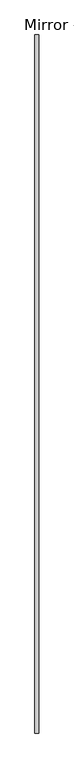
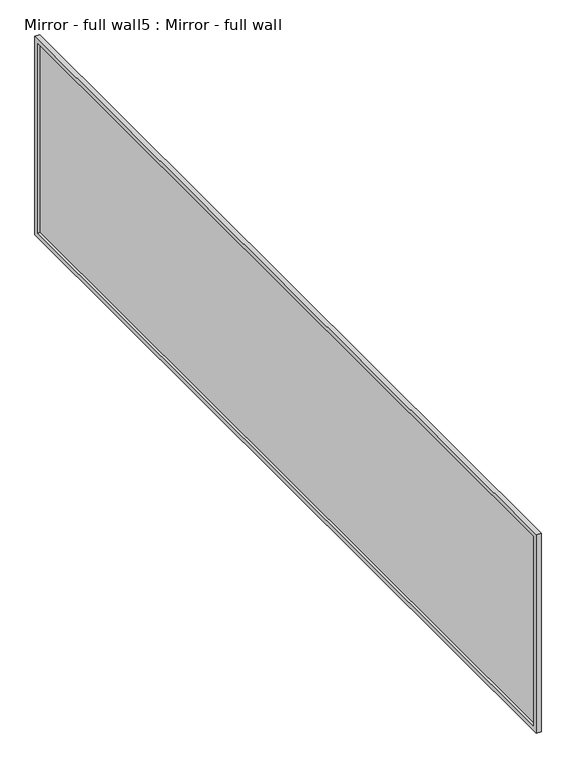
"""IFC4 building model written with IfcOpenShell, lengths in millimetres: proxy geometry, Mirror - full wall5 : Mirror - full wall."""

from ifc_helpers import new_model, si_unit, frame, origin, place, context, project, spatial, polyline, outline, extrude, source, transform, mapped, element, save


def mirror_full_wall5_mirror_full_wall_4e1c9990(model_context):
    return source(origin(), model_context, "Body", "SweptSolid", [
        extrude(outline(polyline([(454870.9254676, -331574.9801499), (454870.9254676, -327001.8191335), (454883.6254676, -327001.8191335), (454883.6254676, -331574.9801499), (454870.9254676, -331574.9801499)])), frame((0.0, 0.0, 1041.4), z_axis=(0.0, 0.0, 1.0), x_axis=(1.0, 0.0, 0.0)), (0.0, 0.0, 1.0), 1066.8),
        extrude(outline(polyline([(-326976.4191335, 2133.6), (-326976.4191335, 1016.0), (-331600.9830223, 1016.0), (-331600.9830223, 2133.6), (-326976.4191335, 2133.6)]), holes=[polyline([(-327001.8191335, 2108.2), (-331574.9801499, 2108.2), (-331574.9801499, 1041.4), (-327001.8191335, 1041.4), (-327001.8191335, 2108.2)])]), frame((454858.2254676, 0.0, 0.0), z_axis=(1.0, 0.0, 0.0), x_axis=(0.0, 1.0, 0.0)), (0.0, 0.0, 1.0), 25.4),
    ])


if __name__ == "__main__":
    model = new_model("IFC4")
    model_context = context("Model", 3, world=origin())
    ifc_project = project(units=[si_unit("LENGTHUNIT", "METRE", prefix="MILLI")], contexts=[model_context])
    site = spatial("IfcSite", under=ifc_project)
    building = spatial("IfcBuilding", under=site)
    placement = place(None, origin())
    mirror_full_wall5_mirror_full_wall_shape = mirror_full_wall5_mirror_full_wall_4e1c9990(model_context)
    element("IfcBuildingElementProxy", 1, Name="Mirror - full wall5 : Mirror - full wall", ObjectType="Mirror - full wall5 : Mirror - full wall", at=placement, inside=building, context=model_context, shape_type="MappedRepresentation", body=[
        mapped(mirror_full_wall5_mirror_full_wall_shape, transform((0.0, 0.0, 0.0), x_axis=(1.0, 0.0, 0.0), y_axis=(0.0, 1.0, 0.0), z_axis=(0.0, 0.0, 1.0))),
    ])
    save(model, "model.ifc")
